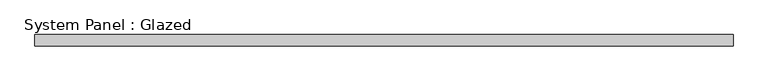
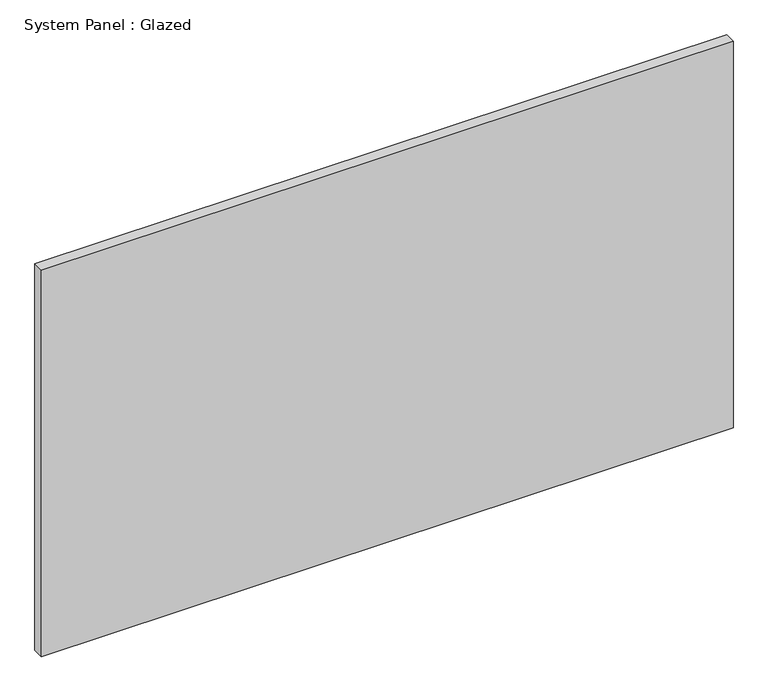
"""IFC4 building model written with IfcOpenShell, lengths in millimetres: plate geometry, System Panel : Glazed."""

from ifc_helpers import new_model, si_unit, origin, origin_with_axes, place, context, project, spatial, polyline, outline, extrude, source, transform, mapped, element, save


def system_panel_glazed_d8e38112(model_context):
    return source(origin(), model_context, "Body", "SweptSolid", [
        extrude(outline(polyline([(773.7881809, 19.05), (-773.7881809, 19.05), (-773.7881809, 44.45), (773.7881809, 44.45), (773.7881809, 19.05)])), origin_with_axes(), (0.0, 0.0, 1.0), 914.4),
    ])


if __name__ == "__main__":
    model = new_model("IFC4")
    model_context = context("Model", 3, world=origin())
    ifc_project = project(units=[si_unit("LENGTHUNIT", "METRE", prefix="MILLI")], contexts=[model_context])
    site = spatial("IfcSite", under=ifc_project)
    building = spatial("IfcBuilding", under=site)
    placement = place(None, origin())
    system_panel_glazed_shape = system_panel_glazed_d8e38112(model_context)
    element("IfcPlate", 1, ObjectType="System Panel : Glazed", at=placement, inside=building, context=model_context, shape_type="MappedRepresentation", body=[
        mapped(system_panel_glazed_shape, transform((0.0, 0.0, 0.0), x_axis=(1.0, 0.0, 0.0), y_axis=(0.0, 1.0, 0.0), z_axis=(0.0, 0.0, 1.0))),
    ])
    save(model, "model.ifc")
